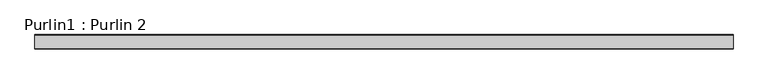
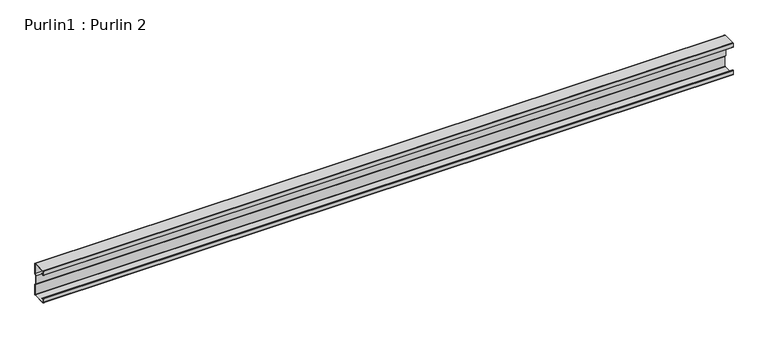
"""IFC4 building model written with IfcOpenShell, lengths in millimetres: beam geometry, Purlin1 : Purlin 2."""

from ifc_helpers import new_model, si_unit, point, frame, frame_2d, origin, place, context, project, spatial, polyline, circle_curve, trimmed, segment, composite_curve, outline, extrude, source, transform, mapped, element, save


def purlin1_purlin_2_c59bf742(model_context):
    return source(origin(), model_context, "Body", "SweptSolid", [
        extrude(outline(composite_curve([segment(polyline([(30.5, -75.0), (-30.5, -75.0)]), True, "CONTINUOUS"), segment(trimmed(circle_curve(frame_2d((-30.5, -73.5)), 1.5), [point((-30.5, -75.0))], [point((-32.0, -73.5))], False, "CARTESIAN"), True, "CONTINUOUS"), segment(polyline([(-32.0, -73.5), (-32.0, -55.5689158)]), True, "CONTINUOUS"), segment(trimmed(circle_curve(frame_2d((-30.5, -55.5689158)), 1.5), [point((-32.0, -55.5689158))], [point((-29.6183221, -54.3553903))], False, "CARTESIAN"), True, "CONTINUOUS"), segment(polyline([(-29.6183221, -54.3553903), (-22.7008639, -59.3812179), (-23.2886491, -60.1902349), (-30.2061074, -55.1644073)]), True, "CONTINUOUS"), segment(trimmed(circle_curve(frame_2d((-30.5, -55.5689158)), 0.5), [point((-30.2061074, -55.1644073))], [point((-31.0, -55.5689158))], True, "CARTESIAN"), True, "CONTINUOUS"), segment(polyline([(-31.0, -55.5689158), (-31.0, -73.0)]), True, "CONTINUOUS"), segment(trimmed(circle_curve(frame_2d((-30.0, -73.0)), 1.0), [point((-31.0, -73.0))], [point((-30.0, -74.0))], True, "CARTESIAN"), True, "CONTINUOUS"), segment(polyline([(-30.0, -74.0), (30.0, -74.0)]), True, "CONTINUOUS"), segment(trimmed(circle_curve(frame_2d((30.0, -73.0)), 1.0), [point((30.0, -74.0))], [point((31.0, -73.0))], True, "CARTESIAN"), True, "CONTINUOUS"), segment(polyline([(31.0, -73.0), (31.0, -26.8252474), (25.375, -18.9502474), (25.375, 18.7314974), (31.0, 26.3252474), (31.0, 73.0)]), True, "CONTINUOUS"), segment(trimmed(circle_curve(frame_2d((30.0, 73.0)), 1.0), [point((31.0, 73.0))], [point((30.0, 74.0))], True, "CARTESIAN"), True, "CONTINUOUS"), segment(polyline([(30.0, 74.0), (-30.0, 74.0)]), True, "CONTINUOUS"), segment(trimmed(circle_curve(frame_2d((-30.0, 73.0)), 1.0), [point((-30.0, 74.0))], [point((-31.0, 73.0))], True, "CARTESIAN"), True, "CONTINUOUS"), segment(polyline([(-31.0, 73.0), (-31.0, 55.5689158)]), True, "CONTINUOUS"), segment(trimmed(circle_curve(frame_2d((-30.5, 55.5689158)), 0.5), [point((-31.0, 55.5689158))], [point((-30.2061074, 55.1644073))], True, "CARTESIAN"), True, "CONTINUOUS"), segment(polyline([(-30.2061074, 55.1644073), (-23.2886491, 60.1902349), (-22.7008639, 59.3812179), (-29.6183221, 54.3553903)]), True, "CONTINUOUS"), segment(trimmed(circle_curve(frame_2d((-30.5, 55.5689158)), 1.5), [point((-29.6183221, 54.3553903))], [point((-32.0, 55.5689158))], False, "CARTESIAN"), True, "CONTINUOUS"), segment(polyline([(-32.0, 55.5689158), (-32.0, 73.5)]), True, "CONTINUOUS"), segment(trimmed(circle_curve(frame_2d((-30.5, 73.5)), 1.5), [point((-32.0, 73.5))], [point((-30.5, 75.0))], False, "CARTESIAN"), True, "CONTINUOUS"), segment(polyline([(-30.5, 75.0), (30.5, 75.0)]), True, "CONTINUOUS"), segment(trimmed(circle_curve(frame_2d((30.5, 73.5)), 1.5), [point((30.5, 75.0))], [point((32.0, 73.5))], False, "CARTESIAN"), True, "CONTINUOUS"), segment(polyline([(32.0, 73.5), (32.0, 25.9952176), (26.375, 18.4014676), (26.375, -18.6297824), (32.0, -26.5047824), (32.0, -73.5)]), True, "CONTINUOUS"), segment(trimmed(circle_curve(frame_2d((30.5, -73.5)), 1.5), [point((32.0, -73.5))], [point((30.5, -75.0))], False, "CARTESIAN"), True, "CONTINUOUS")], self_intersect=False)), frame((-1545.0, 0.0, 0.0), z_axis=(1.0, 0.0, 0.0), x_axis=(0.0, 1.0, 0.0)), (0.0, 0.0, 1.0), 3090.0),
    ])


if __name__ == "__main__":
    model = new_model("IFC4")
    model_context = context("Model", 3, world=origin())
    ifc_project = project(units=[si_unit("LENGTHUNIT", "METRE", prefix="MILLI")], contexts=[model_context])
    site = spatial("IfcSite", under=ifc_project)
    building = spatial("IfcBuilding", under=site)
    placement = place(None, origin())
    purlin1_purlin_2_shape = purlin1_purlin_2_c59bf742(model_context)
    element("IfcBeam", 1, ObjectType="Purlin1 : Purlin 2", at=placement, inside=building, context=model_context, shape_type="MappedRepresentation", body=[
        mapped(purlin1_purlin_2_shape, transform((0.0, 0.0, 0.0), x_axis=(1.0, 0.0, 0.0), y_axis=(0.0, 1.0, 0.0), z_axis=(0.0, 0.0, 1.0))),
    ])
    save(model, "model.ifc")
